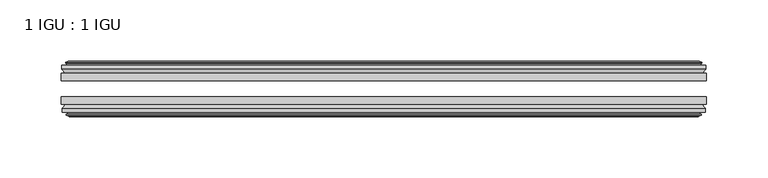
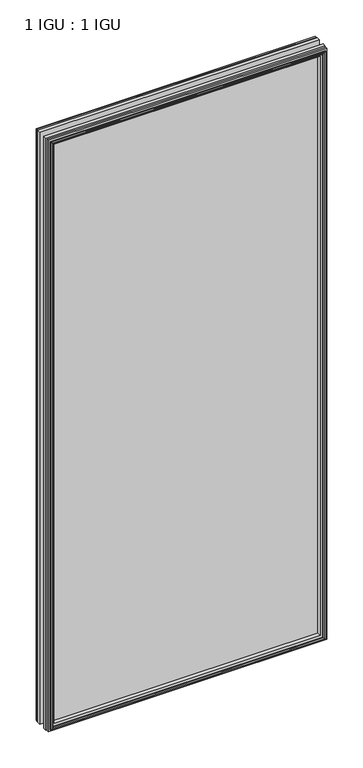
"""IFC4 building model written with IfcOpenShell, lengths in millimetres: plate geometry, 1 IGU : 1 IGU."""

from ifc_helpers import new_model, si_unit, frame, origin, place, context, project, spatial, polyline, outline, extrude, faceted_brep, source, transform, mapped, element, save


def plate_1_igu_1_igu_39405443(model_context):
    return source(origin(), model_context, "Body", "SolidModel", [
        extrude(outline(polyline([(263.525, -25.8960937), (263.525, -32.2460938), (-263.525, -32.2460938), (-263.525, -25.8960937), (263.525, -25.8960937)])), frame((0.0, 0.0, -12.7), z_axis=(0.0, 0.0, 1.0), x_axis=(1.0, 0.0, 0.0)), (0.0, 0.0, 1.0), 1181.1),
        extrude(outline(polyline([(-263.525, -51.2960938), (-263.525, -45.2686737), (263.525, -45.2686737), (263.525, -51.2960938), (-263.525, -51.2960938)])), frame((0.0, 0.0, -12.7), z_axis=(0.0, 0.0, 1.0), x_axis=(1.0, 0.0, 0.0)), (0.0, 0.0, 1.0), 1181.1),
        faceted_brep([(-257.937, -60.0262907, 1162.812), (-258.318, -57.6460937, 1163.193), (-258.318, -57.6460937, -7.493), (-257.937, -60.0262907, -7.112), (-259.3525291, -59.5663575, 1164.2275291), (-259.3525291, -59.5663575, -8.5275291), (-259.3525291, -60.3675717, 1164.2275291), (-259.3525291, -60.3675717, -8.5275291), (-257.175, -61.0750937, 1162.05), (-257.175, -61.0750937, -6.35), (-254.9974709, -60.3675717, 1159.8724709), (-254.9974709, -60.3675717, -4.1724709), (-254.9974709, -59.5663575, 1159.8724709), (-254.9974709, -59.5663575, -4.1724709), (-256.413, -60.0262907, 1161.288), (-256.413, -60.0262907, -5.588), (-256.032, -57.6460937, 1160.907), (-256.032, -57.6460937, -5.207), (-249.1072819, -51.2960937, 1153.9822819), (-250.825, -57.6460937, 1155.7), (-250.825, -57.6460937, 0.0), (-249.1072819, -51.2960937, 1.7177181), (-262.763, -54.6996937, 1167.638), (-259.9286578, -51.2960937, 1164.8036578), (-259.9286578, -51.2960937, -9.1036578), (-262.763, -54.6996937, -11.938), (-262.763, -57.6460937, 1167.638), (-262.763, -57.6460937, -11.938), (258.318, -57.6460938, -7.493), (257.937, -60.0262907, -7.112), (259.3525291, -59.5663575, -8.5275291), (259.3525291, -60.3675717, -8.5275291), (257.175, -61.0750937, -6.35), (254.9974709, -60.3675717, -4.1724709), (254.9974709, -59.5663575, -4.1724709), (256.413, -60.0262907, -5.588), (256.032, -57.6460937, -5.207), (250.825, -57.6460937, 0.0), (249.1072819, -51.2960937, 1.7177181), (259.9286578, -51.2960937, -9.1036578), (262.763, -54.6996937, -11.938), (262.763, -57.6460938, -11.938), (258.318, -57.6460938, 1163.193), (257.937, -60.0262907, 1162.812), (259.3525291, -59.5663575, 1164.2275291), (259.3525291, -60.3675717, 1164.2275291), (257.175, -61.0750937, 1162.05), (254.9974709, -60.3675717, 1159.8724709), (254.9974709, -59.5663575, 1159.8724709), (256.413, -60.0262907, 1161.288), (256.032, -57.6460937, 1160.907), (250.825, -57.6460937, 1155.7), (249.1072819, -51.2960937, 1153.9822819), (259.9286578, -51.2960937, 1164.8036578), (262.763, -54.6996937, 1167.638), (262.763, -57.6460938, 1167.638)], [[[0, 1, 2, 3]], [[4, 0, 3, 5]], [[6, 4, 5, 7]], [[8, 6, 7, 9]], [[10, 8, 9, 11]], [[12, 10, 11, 13]], [[14, 12, 13, 15]], [[16, 14, 15, 17]], [[18, 19, 20, 21]], [[22, 23, 24, 25]], [[26, 22, 25, 27]], [[3, 2, 28, 29]], [[5, 3, 29, 30]], [[7, 5, 30, 31]], [[9, 7, 31, 32]], [[11, 9, 32, 33]], [[13, 11, 33, 34]], [[15, 13, 34, 35]], [[17, 15, 35, 36]], [[21, 20, 37, 38]], [[25, 24, 39, 40]], [[27, 25, 40, 41]], [[29, 28, 42, 43]], [[30, 29, 43, 44]], [[31, 30, 44, 45]], [[32, 31, 45, 46]], [[33, 32, 46, 47]], [[34, 33, 47, 48]], [[35, 34, 48, 49]], [[36, 35, 49, 50]], [[38, 37, 51, 52]], [[40, 39, 53, 54]], [[41, 40, 54, 55]], [[27, 41, 55, 26], [1, 42, 28, 2]], [[43, 42, 1, 0]], [[44, 43, 0, 4]], [[45, 44, 4, 6]], [[46, 45, 6, 8]], [[47, 46, 8, 10]], [[48, 47, 10, 12]], [[49, 48, 12, 14]], [[50, 49, 14, 16]], [[17, 36, 50, 16], [19, 51, 37, 20]], [[52, 51, 19, 18]], [[23, 53, 39, 24], [21, 38, 52, 18]], [[54, 53, 23, 22]], [[55, 54, 22, 26]]]),
        faceted_brep([(-260.4493578, -25.8960937, 1165.3243578), (-263.2837, -22.4924937, 1168.1587), (-263.2837, -22.4924937, -12.4587), (-260.4493578, -25.8960937, -9.6243578), (-251.3457, -19.5460937, 1156.2207), (-249.6279819, -25.8960937, 1154.5029819), (-249.6279819, -25.8960937, 1.1970181), (-251.3457, -19.5460937, -0.5207), (-256.9337, -17.1658968, 1161.8087), (-256.5527, -19.5460937, 1161.4277), (-256.5527, -19.5460937, -5.7277), (-256.9337, -17.1658968, -6.1087), (-255.5181709, -17.62583, 1160.3931709), (-255.5181709, -17.62583, -4.6931709), (-255.5181709, -16.8246158, 1160.3931709), (-255.5181709, -16.8246158, -4.6931709), (-257.6957, -16.1170937, 1162.5707), (-257.6957, -16.1170937, -6.8707), (-259.8732291, -16.8246158, 1164.7482291), (-259.8732291, -16.8246158, -9.0482291), (-259.8732291, -17.62583, 1164.7482291), (-259.8732291, -17.62583, -9.0482291), (-258.4577, -17.1658968, 1163.3327), (-258.4577, -17.1658968, -7.6327), (-258.8387, -19.5460937, 1163.7137), (-258.8387, -19.5460937, -8.0137), (-263.2837, -19.5460937, 1168.1587), (-263.2837, -19.5460937, -12.4587), (263.2837, -22.4924937, -12.4587), (260.4493578, -25.8960937, -9.6243578), (249.6279819, -25.8960937, 1.1970181), (251.3457, -19.5460937, -0.5207), (256.5527, -19.5460937, -5.7277), (256.9337, -17.1658968, -6.1087), (255.5181709, -17.62583, -4.6931709), (255.5181709, -16.8246158, -4.6931709), (257.6957, -16.1170937, -6.8707), (259.8732291, -16.8246158, -9.0482291), (259.8732291, -17.62583, -9.0482291), (258.4577, -17.1658968, -7.6327), (258.8387, -19.5460937, -8.0137), (263.2837, -19.5460937, -12.4587), (263.2837, -22.4924937, 1168.1587), (260.4493578, -25.8960937, 1165.3243578), (249.6279819, -25.8960937, 1154.5029819), (251.3457, -19.5460937, 1156.2207), (256.5527, -19.5460937, 1161.4277), (256.9337, -17.1658968, 1161.8087), (255.5181709, -17.62583, 1160.3931709), (255.5181709, -16.8246158, 1160.3931709), (257.6957, -16.1170937, 1162.5707), (259.8732291, -16.8246158, 1164.7482291), (259.8732291, -17.62583, 1164.7482291), (258.4577, -17.1658968, 1163.3327), (258.8387, -19.5460937, 1163.7137), (263.2837, -19.5460937, 1168.1587)], [[[0, 1, 2, 3]], [[4, 5, 6, 7]], [[8, 9, 10, 11]], [[12, 8, 11, 13]], [[14, 12, 13, 15]], [[16, 14, 15, 17]], [[18, 16, 17, 19]], [[20, 18, 19, 21]], [[22, 20, 21, 23]], [[24, 22, 23, 25]], [[1, 26, 27, 2]], [[3, 2, 28, 29]], [[7, 6, 30, 31]], [[11, 10, 32, 33]], [[13, 11, 33, 34]], [[15, 13, 34, 35]], [[17, 15, 35, 36]], [[19, 17, 36, 37]], [[21, 19, 37, 38]], [[23, 21, 38, 39]], [[25, 23, 39, 40]], [[2, 27, 41, 28]], [[29, 28, 42, 43]], [[31, 30, 44, 45]], [[33, 32, 46, 47]], [[34, 33, 47, 48]], [[35, 34, 48, 49]], [[36, 35, 49, 50]], [[37, 36, 50, 51]], [[38, 37, 51, 52]], [[39, 38, 52, 53]], [[40, 39, 53, 54]], [[28, 41, 55, 42]], [[43, 42, 1, 0]], [[3, 29, 43, 0], [5, 44, 30, 6]], [[45, 44, 5, 4]], [[9, 46, 32, 10], [7, 31, 45, 4]], [[47, 46, 9, 8]], [[48, 47, 8, 12]], [[49, 48, 12, 14]], [[50, 49, 14, 16]], [[51, 50, 16, 18]], [[52, 51, 18, 20]], [[53, 52, 20, 22]], [[54, 53, 22, 24]], [[26, 55, 41, 27], [25, 40, 54, 24]], [[42, 55, 26, 1]]]),
    ])


if __name__ == "__main__":
    model = new_model("IFC4")
    model_context = context("Model", 3, world=origin())
    ifc_project = project(units=[si_unit("LENGTHUNIT", "METRE", prefix="MILLI")], contexts=[model_context])
    site = spatial("IfcSite", under=ifc_project)
    building = spatial("IfcBuilding", under=site)
    placement = place(None, origin())
    plate_1_igu_1_igu_shape = plate_1_igu_1_igu_39405443(model_context)
    element("IfcPlate", 1, ObjectType="1 IGU : 1 IGU", at=placement, inside=building, context=model_context, shape_type="MappedRepresentation", body=[
        mapped(plate_1_igu_1_igu_shape, transform((0.0, 0.0, 0.0), x_axis=(1.0, 0.0, 0.0), y_axis=(0.0, 1.0, 0.0), z_axis=(0.0, 0.0, 1.0))),
    ])
    save(model, "model.ifc")
